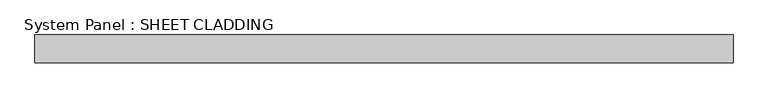
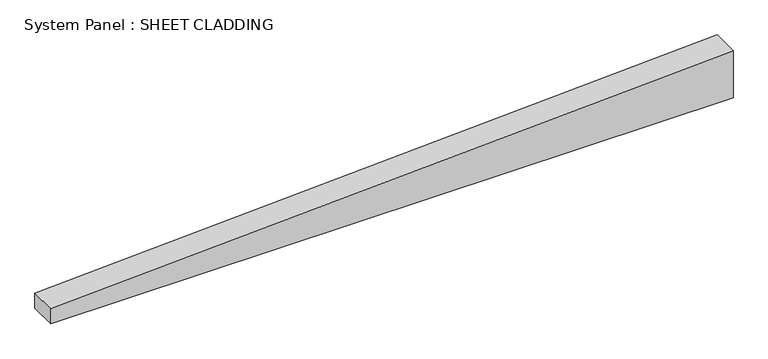
"""IFC4 building model written with IfcOpenShell, lengths in millimetres: plate geometry, System Panel : SHEET CLADDING."""

from ifc_helpers import new_model, si_unit, frame, origin, place, context, project, spatial, polyline, outline, extrude, source, transform, mapped, element, save


def system_panel_sheet_cladding_5f914fc1(model_context):
    return source(origin(), model_context, "Body", "SweptSolid", [
        extrude(outline(polyline([(0.0, -750.0), (0.0, 750.0), (110.1, 750.0), (35.1, -750.0), (0.0, -750.0)])), frame((0.0, -49.5, 0.0), z_axis=(0.0, 1.0, 0.0), x_axis=(0.0, 0.0, 1.0)), (0.0, 0.0, 1.0), 60.0),
    ])


if __name__ == "__main__":
    model = new_model("IFC4")
    model_context = context("Model", 3, world=origin())
    ifc_project = project(units=[si_unit("LENGTHUNIT", "METRE", prefix="MILLI")], contexts=[model_context])
    site = spatial("IfcSite", under=ifc_project)
    building = spatial("IfcBuilding", under=site)
    placement = place(None, origin())
    system_panel_sheet_cladding_shape = system_panel_sheet_cladding_5f914fc1(model_context)
    element("IfcPlate", 1, ObjectType="System Panel : SHEET CLADDING", at=placement, inside=building, context=model_context, shape_type="MappedRepresentation", body=[
        mapped(system_panel_sheet_cladding_shape, transform((0.0, 0.0, 0.0), x_axis=(1.0, 0.0, 0.0), y_axis=(0.0, 1.0, 0.0), z_axis=(0.0, 0.0, 1.0))),
    ])
    save(model, "model.ifc")
